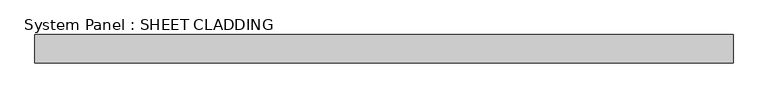
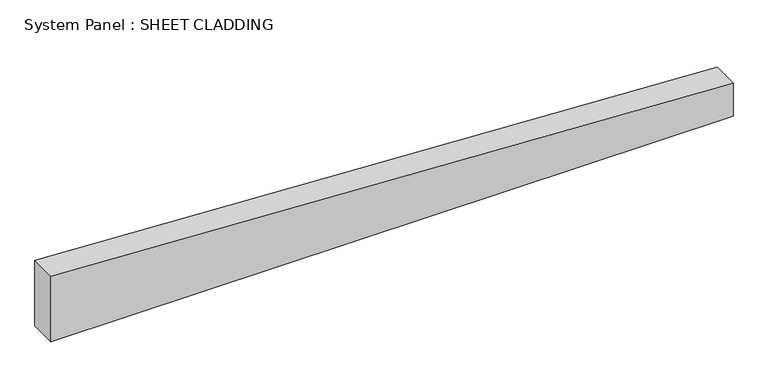
"""IFC4 building model written with IfcOpenShell, lengths in millimetres: plate geometry, System Panel : SHEET CLADDING."""

from ifc_helpers import new_model, si_unit, frame, origin, place, context, project, spatial, polyline, outline, extrude, source, transform, mapped, element, save


def system_panel_sheet_cladding_87ce9cd5(model_context):
    return source(origin(), model_context, "Body", "SweptSolid", [
        extrude(outline(polyline([(0.0, -735.4591837), (0.0, 735.4591837), (75.8142857, 735.4591837), (149.3602041, -735.4591837), (0.0, -735.4591837)])), frame((0.0, -10.5, 0.0), z_axis=(0.0, 1.0, 0.0), x_axis=(0.0, 0.0, 1.0)), (0.0, 0.0, 1.0), 60.0),
    ])


if __name__ == "__main__":
    model = new_model("IFC4")
    model_context = context("Model", 3, world=origin())
    ifc_project = project(units=[si_unit("LENGTHUNIT", "METRE", prefix="MILLI")], contexts=[model_context])
    site = spatial("IfcSite", under=ifc_project)
    building = spatial("IfcBuilding", under=site)
    placement = place(None, origin())
    system_panel_sheet_cladding_shape = system_panel_sheet_cladding_87ce9cd5(model_context)
    element("IfcPlate", 1, ObjectType="System Panel : SHEET CLADDING", at=placement, inside=building, context=model_context, shape_type="MappedRepresentation", body=[
        mapped(system_panel_sheet_cladding_shape, transform((0.0, 0.0, 0.0), x_axis=(1.0, 0.0, 0.0), y_axis=(0.0, 1.0, 0.0), z_axis=(0.0, 0.0, 1.0))),
    ])
    save(model, "model.ifc")
